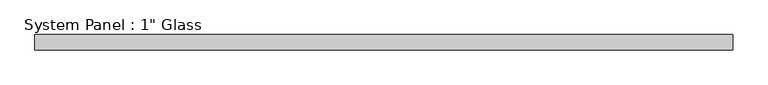
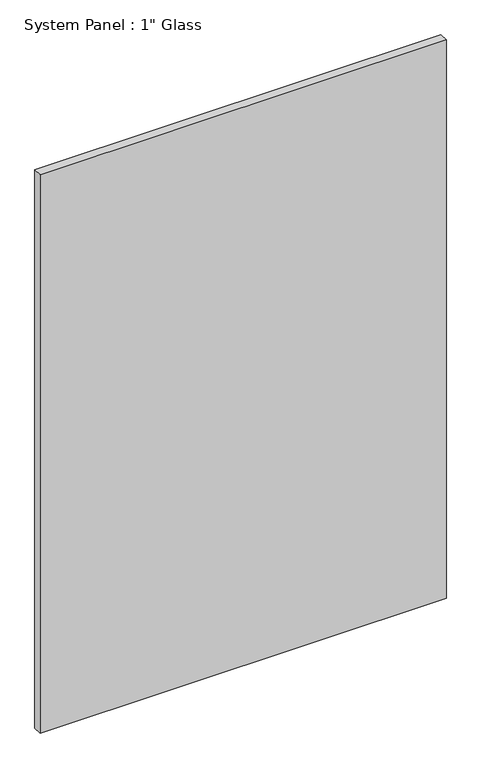
"""IFC4 building model written with IfcOpenShell, lengths in millimetres: plate geometry."""

from ifc_helpers import new_model, si_unit, origin, origin_with_axes, place, context, project, spatial, polyline, outline, extrude, source, transform, mapped, element, save


def plate_055ca62f(model_context):
    return source(origin(), model_context, "Body", "SweptSolid", [
        extrude(outline(polyline([(583.6865953, -12.7), (-583.6865953, -12.7), (-583.6865953, 12.7), (583.6865953, 12.7), (583.6865953, -12.7)])), origin_with_axes(), (0.0, 0.0, 1.0), 1695.45),
    ])


if __name__ == "__main__":
    model = new_model("IFC4")
    model_context = context("Model", 3, world=origin())
    ifc_project = project(units=[si_unit("LENGTHUNIT", "METRE", prefix="MILLI")], contexts=[model_context])
    site = spatial("IfcSite", under=ifc_project)
    building = spatial("IfcBuilding", under=site)
    placement = place(None, origin())
    plate_shape = plate_055ca62f(model_context)
    element("IfcPlate", 1, ObjectType="System Panel : 1\" Glass", at=placement, inside=building, context=model_context, shape_type="MappedRepresentation", body=[
        mapped(plate_shape, transform((0.0, 0.0, 0.0), x_axis=(1.0, 0.0, 0.0), y_axis=(0.0, 1.0, 0.0), z_axis=(0.0, 0.0, 1.0))),
    ])
    save(model, "model.ifc")
